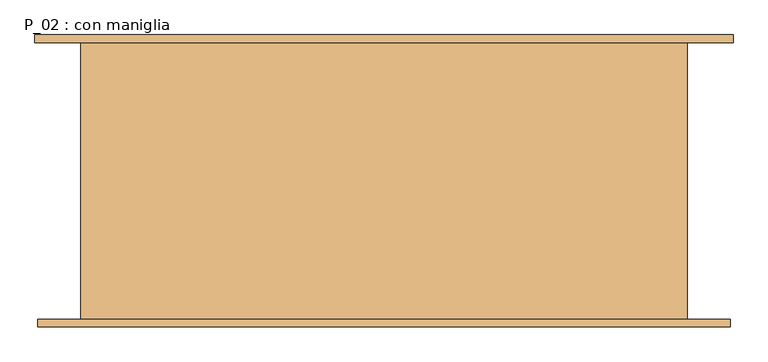
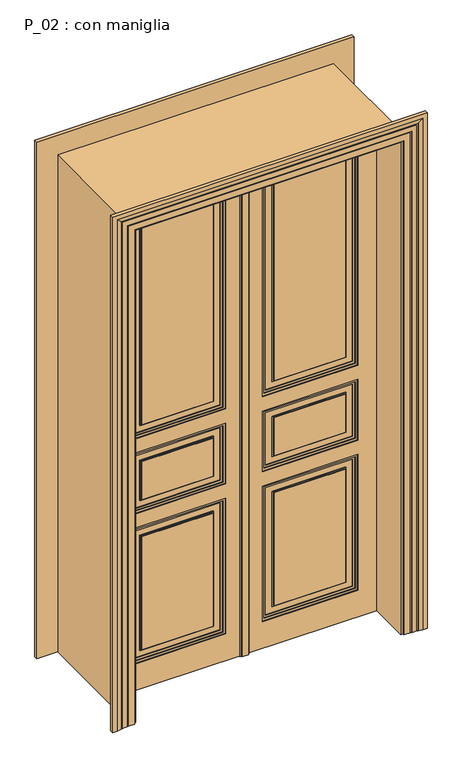
"""IFC4 building model written with IfcOpenShell, lengths in millimetres: door geometry, P_02 : con maniglia."""

from ifc_helpers import new_model, si_unit, frame, origin, origin_with_axes, place, context, project, spatial, polyline, outline, extrude, faceted_brep, source, transform, mapped, element, save


def p_02_con_maniglia_0d75dc04(model_context):
    return source(origin(), model_context, "Body", "SolidModel", [
        extrude(outline(polyline([(0.0, -610.0), (2395.0, -610.0), (2395.0, -2.5), (2400.0, -2.5), (2400.0, -615.0), (0.0, -615.0), (0.0, -610.0)])), frame((0.0, -90.0, 0.0), z_axis=(0.0, 1.0, 0.0), x_axis=(0.0, 0.0, 1.0)), (0.0, 0.0, 1.0), 5.0),
        extrude(outline(polyline([(0.0, 615.0), (2400.0, 615.0), (2400.0, 2.5), (2395.0, 2.5), (2395.0, 610.0), (0.0, 610.0), (0.0, 615.0)])), frame((0.0, -90.0, 0.0), z_axis=(0.0, 1.0, 0.0), x_axis=(0.0, 0.0, 1.0)), (0.0, 0.0, 1.0), 5.0),
        extrude(outline(polyline([(2.5, -97.0), (2.5, -90.0), (20.0, -90.0), (20.0, -97.0), (2.5, -97.0)])), frame((0.0, 0.0, 2395.0), z_axis=(0.0, 0.0, 1.0), x_axis=(1.0, 0.0, 0.0)), (0.0, 0.0, 1.0), 5.0),
        extrude(outline(polyline([(-2.5, -97.0), (-20.0, -97.0), (-20.0, -90.0), (-2.5, -90.0), (-2.5, -97.0)])), frame((0.0, 0.0, 2395.0), z_axis=(0.0, 0.0, 1.0), x_axis=(1.0, 0.0, 0.0)), (0.0, 0.0, 1.0), 5.0),
        extrude(outline(polyline([(2.5, -97.0), (2.5, -90.0), (20.0, -90.0), (20.0, -97.0), (2.5, -97.0)])), frame((0.0, 0.0, 2395.0), z_axis=(0.0, 0.0, 1.0), x_axis=(1.0, 0.0, 0.0)), (0.0, 0.0, 1.0), 5.0),
        extrude(outline(polyline([(-2.5, -97.0), (-20.0, -97.0), (-20.0, -90.0), (-2.5, -90.0), (-2.5, -97.0)])), frame((0.0, 0.0, 2395.0), z_axis=(0.0, 0.0, 1.0), x_axis=(1.0, 0.0, 0.0)), (0.0, 0.0, 1.0), 5.0),
        extrude(outline(polyline([(15.0, -97.0), (15.0, -107.0), (-15.0, -107.0), (-15.0, -97.0), (15.0, -97.0)])), origin_with_axes(), (0.0, 0.0, 1.0), 2400.0),
        extrude(outline(polyline([(20.0, -97.0), (20.0, -102.0), (15.0, -102.0), (15.0, -97.0), (20.0, -97.0)])), origin_with_axes(), (0.0, 0.0, 1.0), 2400.0),
        extrude(outline(polyline([(-15.0, -97.0), (-15.0, -102.0), (-20.0, -102.0), (-20.0, -97.0), (-15.0, -97.0)])), origin_with_axes(), (0.0, 0.0, 1.0), 2400.0),
        extrude(outline(polyline([(-470.0, -75.0), (-470.0, -67.0), (-140.0, -67.0), (-140.0, -75.0), (-470.0, -75.0)])), frame((0.0, 0.0, 185.0), z_axis=(0.0, 0.0, 1.0), x_axis=(1.0, 0.0, 0.0)), (0.0, 0.0, 1.0), 550.0),
        extrude(outline(polyline([(-470.0, -75.0), (-470.0, -67.0), (-140.0, -67.0), (-140.0, -75.0), (-470.0, -75.0)])), frame((0.0, 0.0, 915.0), z_axis=(0.0, 0.0, 1.0), x_axis=(1.0, 0.0, 0.0)), (0.0, 0.0, 1.0), 185.0),
        extrude(outline(polyline([(-470.0, -75.0), (-470.0, -67.0), (-140.0, -67.0), (-140.0, -75.0), (-470.0, -75.0)])), frame((0.0, 0.0, 1280.0), z_axis=(0.0, 0.0, 1.0), x_axis=(1.0, 0.0, 0.0)), (0.0, 0.0, 1.0), 975.0),
        extrude(outline(polyline([(2300.0, -95.0), (2300.0, -515.0), (1235.0, -515.0), (1235.0, -95.0), (2300.0, -95.0)]), holes=[polyline([(2290.0, -105.0), (1245.0, -105.0), (1245.0, -505.0), (2290.0, -505.0), (2290.0, -105.0)])]), frame((0.0, -75.0, 0.0), z_axis=(0.0, 1.0, 0.0), x_axis=(0.0, 0.0, 1.0)), (0.0, 0.0, 1.0), 4.0),
        extrude(outline(polyline([(780.0, -95.0), (780.0, -515.0), (140.0, -515.0), (140.0, -95.0), (780.0, -95.0)]), holes=[polyline([(770.0, -105.0), (150.0, -105.0), (150.0, -505.0), (770.0, -505.0), (770.0, -105.0)])]), frame((0.0, -75.0, 0.0), z_axis=(0.0, 1.0, 0.0), x_axis=(0.0, 0.0, 1.0)), (0.0, 0.0, 1.0), 4.0),
        extrude(outline(polyline([(740.0, -135.0), (740.0, -475.0), (180.0, -475.0), (180.0, -135.0), (740.0, -135.0)]), holes=[polyline([(735.0, -140.0), (185.0, -140.0), (185.0, -470.0), (735.0, -470.0), (735.0, -140.0)])]), frame((0.0, -75.0, 0.0), z_axis=(0.0, 1.0, 0.0), x_axis=(0.0, 0.0, 1.0)), (0.0, 0.0, 1.0), 4.0),
        extrude(outline(polyline([(1145.0, -95.0), (1145.0, -515.0), (870.0, -515.0), (870.0, -95.0), (1145.0, -95.0)]), holes=[polyline([(1135.0, -105.0), (880.0, -105.0), (880.0, -505.0), (1135.0, -505.0), (1135.0, -105.0)])]), frame((0.0, -75.0, 0.0), z_axis=(0.0, 1.0, 0.0), x_axis=(0.0, 0.0, 1.0)), (0.0, 0.0, 1.0), 4.0),
        extrude(outline(polyline([(1105.0, -135.0), (1105.0, -475.0), (910.0, -475.0), (910.0, -135.0), (1105.0, -135.0)]), holes=[polyline([(1100.0, -140.0), (915.0, -140.0), (915.0, -470.0), (1100.0, -470.0), (1100.0, -140.0)])]), frame((0.0, -75.0, 0.0), z_axis=(0.0, 1.0, 0.0), x_axis=(0.0, 0.0, 1.0)), (0.0, 0.0, 1.0), 4.0),
        extrude(outline(polyline([(2260.0, -135.0), (2260.0, -475.0), (1275.0, -475.0), (1275.0, -135.0), (2260.0, -135.0)]), holes=[polyline([(2255.0, -140.0), (1280.0, -140.0), (1280.0, -470.0), (2255.0, -470.0), (2255.0, -140.0)])]), frame((0.0, -75.0, 0.0), z_axis=(0.0, 1.0, 0.0), x_axis=(0.0, 0.0, 1.0)), (0.0, 0.0, 1.0), 4.0),
        extrude(outline(polyline([(1225.0, -85.0), (2310.0, -85.0), (2310.0, -525.0), (1225.0, -525.0), (1225.0, -85.0)]), holes=[polyline([(2300.0, -95.0), (1235.0, -95.0), (1235.0, -515.0), (2300.0, -515.0), (2300.0, -95.0)])]), frame((0.0, -75.0, 0.0), z_axis=(0.0, 1.0, 0.0), x_axis=(0.0, 0.0, 1.0)), (0.0, 0.0, 1.0), 8.0),
        extrude(outline(polyline([(130.0, -525.0), (130.0, -85.0), (790.0, -85.0), (790.0, -525.0), (130.0, -525.0)]), holes=[polyline([(780.0, -95.0), (140.0, -95.0), (140.0, -515.0), (780.0, -515.0), (780.0, -95.0)])]), frame((0.0, -75.0, 0.0), z_axis=(0.0, 1.0, 0.0), x_axis=(0.0, 0.0, 1.0)), (0.0, 0.0, 1.0), 8.0),
        extrude(outline(polyline([(1155.0, -85.0), (1155.0, -525.0), (860.0, -525.0), (860.0, -85.0), (1155.0, -85.0)]), holes=[polyline([(870.0, -95.0), (870.0, -515.0), (1145.0, -515.0), (1145.0, -95.0), (870.0, -95.0)])]), frame((0.0, -75.0, 0.0), z_axis=(0.0, 1.0, 0.0), x_axis=(0.0, 0.0, 1.0)), (0.0, 0.0, 1.0), 8.0),
        extrude(outline(polyline([(0.0, -610.0), (0.0, -2.5), (2395.0, -2.5), (2395.0, -610.0), (0.0, -610.0)]), holes=[polyline([(1225.0, -85.0), (1225.0, -525.0), (2310.0, -525.0), (2310.0, -85.0), (1225.0, -85.0)]), polyline([(130.0, -85.0), (130.0, -525.0), (790.0, -525.0), (790.0, -85.0), (130.0, -85.0)]), polyline([(1155.0, -525.0), (1155.0, -85.0), (860.0, -85.0), (860.0, -525.0), (1155.0, -525.0)])]), frame((0.0, -75.0, 0.0), z_axis=(0.0, 1.0, 0.0), x_axis=(0.0, 0.0, 1.0)), (0.0, 0.0, 1.0), 12.0),
        extrude(outline(polyline([(140.0, -75.0), (140.0, -67.0), (470.0, -67.0), (470.0, -75.0), (140.0, -75.0)])), frame((0.0, 0.0, 185.0), z_axis=(0.0, 0.0, 1.0), x_axis=(1.0, 0.0, 0.0)), (0.0, 0.0, 1.0), 550.0),
        extrude(outline(polyline([(140.0, -75.0), (140.0, -67.0), (470.0, -67.0), (470.0, -75.0), (140.0, -75.0)])), frame((0.0, 0.0, 915.0), z_axis=(0.0, 0.0, 1.0), x_axis=(1.0, 0.0, 0.0)), (0.0, 0.0, 1.0), 185.0),
        extrude(outline(polyline([(140.0, -75.0), (140.0, -67.0), (470.0, -67.0), (470.0, -75.0), (140.0, -75.0)])), frame((0.0, 0.0, 1280.0), z_axis=(0.0, 0.0, 1.0), x_axis=(1.0, 0.0, 0.0)), (0.0, 0.0, 1.0), 975.0),
        extrude(outline(polyline([(2300.0, 95.0), (1235.0, 95.0), (1235.0, 515.0), (2300.0, 515.0), (2300.0, 95.0)]), holes=[polyline([(2290.0, 105.0), (2290.0, 505.0), (1245.0, 505.0), (1245.0, 105.0), (2290.0, 105.0)])]), frame((0.0, -75.0, 0.0), z_axis=(0.0, 1.0, 0.0), x_axis=(0.0, 0.0, 1.0)), (0.0, 0.0, 1.0), 4.0),
        extrude(outline(polyline([(780.0, 95.0), (140.0, 95.0), (140.0, 515.0), (780.0, 515.0), (780.0, 95.0)]), holes=[polyline([(770.0, 105.0), (770.0, 505.0), (150.0, 505.0), (150.0, 105.0), (770.0, 105.0)])]), frame((0.0, -75.0, 0.0), z_axis=(0.0, 1.0, 0.0), x_axis=(0.0, 0.0, 1.0)), (0.0, 0.0, 1.0), 4.0),
        extrude(outline(polyline([(740.0, 135.0), (180.0, 135.0), (180.0, 475.0), (740.0, 475.0), (740.0, 135.0)]), holes=[polyline([(735.0, 140.0), (735.0, 470.0), (185.0, 470.0), (185.0, 140.0), (735.0, 140.0)])]), frame((0.0, -75.0, 0.0), z_axis=(0.0, 1.0, 0.0), x_axis=(0.0, 0.0, 1.0)), (0.0, 0.0, 1.0), 4.0),
        extrude(outline(polyline([(1145.0, 95.0), (870.0, 95.0), (870.0, 515.0), (1145.0, 515.0), (1145.0, 95.0)]), holes=[polyline([(1135.0, 105.0), (1135.0, 505.0), (880.0, 505.0), (880.0, 105.0), (1135.0, 105.0)])]), frame((0.0, -75.0, 0.0), z_axis=(0.0, 1.0, 0.0), x_axis=(0.0, 0.0, 1.0)), (0.0, 0.0, 1.0), 4.0),
        extrude(outline(polyline([(1105.0, 135.0), (910.0, 135.0), (910.0, 475.0), (1105.0, 475.0), (1105.0, 135.0)]), holes=[polyline([(1100.0, 140.0), (1100.0, 470.0), (915.0, 470.0), (915.0, 140.0), (1100.0, 140.0)])]), frame((0.0, -75.0, 0.0), z_axis=(0.0, 1.0, 0.0), x_axis=(0.0, 0.0, 1.0)), (0.0, 0.0, 1.0), 4.0),
        extrude(outline(polyline([(2260.0, 135.0), (1275.0, 135.0), (1275.0, 475.0), (2260.0, 475.0), (2260.0, 135.0)]), holes=[polyline([(2255.0, 140.0), (2255.0, 470.0), (1280.0, 470.0), (1280.0, 140.0), (2255.0, 140.0)])]), frame((0.0, -75.0, 0.0), z_axis=(0.0, 1.0, 0.0), x_axis=(0.0, 0.0, 1.0)), (0.0, 0.0, 1.0), 4.0),
        extrude(outline(polyline([(1225.0, 85.0), (1225.0, 525.0), (2310.0, 525.0), (2310.0, 85.0), (1225.0, 85.0)]), holes=[polyline([(2300.0, 95.0), (2300.0, 515.0), (1235.0, 515.0), (1235.0, 95.0), (2300.0, 95.0)])]), frame((0.0, -75.0, 0.0), z_axis=(0.0, 1.0, 0.0), x_axis=(0.0, 0.0, 1.0)), (0.0, 0.0, 1.0), 8.0),
        extrude(outline(polyline([(130.0, 525.0), (790.0, 525.0), (790.0, 85.0), (130.0, 85.0), (130.0, 525.0)]), holes=[polyline([(780.0, 95.0), (780.0, 515.0), (140.0, 515.0), (140.0, 95.0), (780.0, 95.0)])]), frame((0.0, -75.0, 0.0), z_axis=(0.0, 1.0, 0.0), x_axis=(0.0, 0.0, 1.0)), (0.0, 0.0, 1.0), 8.0),
        extrude(outline(polyline([(1155.0, 85.0), (860.0, 85.0), (860.0, 525.0), (1155.0, 525.0), (1155.0, 85.0)]), holes=[polyline([(870.0, 95.0), (1145.0, 95.0), (1145.0, 515.0), (870.0, 515.0), (870.0, 95.0)])]), frame((0.0, -75.0, 0.0), z_axis=(0.0, 1.0, 0.0), x_axis=(0.0, 0.0, 1.0)), (0.0, 0.0, 1.0), 8.0),
        extrude(outline(polyline([(0.0, 610.0), (2395.0, 610.0), (2395.0, 2.5), (0.0, 2.5), (0.0, 610.0)]), holes=[polyline([(1225.0, 85.0), (2310.0, 85.0), (2310.0, 525.0), (1225.0, 525.0), (1225.0, 85.0)]), polyline([(130.0, 85.0), (790.0, 85.0), (790.0, 525.0), (130.0, 525.0), (130.0, 85.0)]), polyline([(1155.0, 525.0), (860.0, 525.0), (860.0, 85.0), (1155.0, 85.0), (1155.0, 525.0)])]), frame((0.0, -75.0, 0.0), z_axis=(0.0, 1.0, 0.0), x_axis=(0.0, 0.0, 1.0)), (0.0, 0.0, 1.0), 12.0),
        extrude(outline(polyline([(-140.0, -85.0), (-140.0, -93.0), (-470.0, -93.0), (-470.0, -85.0), (-140.0, -85.0)])), frame((0.0, 0.0, 185.0), z_axis=(0.0, 0.0, 1.0), x_axis=(1.0, 0.0, 0.0)), (0.0, 0.0, 1.0), 550.0),
        extrude(outline(polyline([(-140.0, -85.0), (-140.0, -93.0), (-470.0, -93.0), (-470.0, -85.0), (-140.0, -85.0)])), frame((0.0, 0.0, 915.0), z_axis=(0.0, 0.0, 1.0), x_axis=(1.0, 0.0, 0.0)), (0.0, 0.0, 1.0), 185.0),
        extrude(outline(polyline([(-140.0, -85.0), (-140.0, -93.0), (-470.0, -93.0), (-470.0, -85.0), (-140.0, -85.0)])), frame((0.0, 0.0, 1280.0), z_axis=(0.0, 0.0, 1.0), x_axis=(1.0, 0.0, 0.0)), (0.0, 0.0, 1.0), 975.0),
        extrude(outline(polyline([(2300.0, -95.0), (2300.0, -515.0), (1235.0, -515.0), (1235.0, -95.0), (2300.0, -95.0)]), holes=[polyline([(2290.0, -105.0), (1245.0, -105.0), (1245.0, -505.0), (2290.0, -505.0), (2290.0, -105.0)])]), frame((0.0, -89.0, 0.0), z_axis=(0.0, 1.0, 0.0), x_axis=(0.0, 0.0, 1.0)), (0.0, 0.0, 1.0), 4.0),
        extrude(outline(polyline([(780.0, -95.0), (780.0, -515.0), (140.0, -515.0), (140.0, -95.0), (780.0, -95.0)]), holes=[polyline([(770.0, -105.0), (150.0, -105.0), (150.0, -505.0), (770.0, -505.0), (770.0, -105.0)])]), frame((0.0, -89.0, 0.0), z_axis=(0.0, 1.0, 0.0), x_axis=(0.0, 0.0, 1.0)), (0.0, 0.0, 1.0), 4.0),
        extrude(outline(polyline([(740.0, -135.0), (740.0, -475.0), (180.0, -475.0), (180.0, -135.0), (740.0, -135.0)]), holes=[polyline([(735.0, -140.0), (185.0, -140.0), (185.0, -470.0), (735.0, -470.0), (735.0, -140.0)])]), frame((0.0, -89.0, 0.0), z_axis=(0.0, 1.0, 0.0), x_axis=(0.0, 0.0, 1.0)), (0.0, 0.0, 1.0), 4.0),
        extrude(outline(polyline([(1145.0, -95.0), (1145.0, -515.0), (870.0, -515.0), (870.0, -95.0), (1145.0, -95.0)]), holes=[polyline([(1135.0, -105.0), (880.0, -105.0), (880.0, -505.0), (1135.0, -505.0), (1135.0, -105.0)])]), frame((0.0, -89.0, 0.0), z_axis=(0.0, 1.0, 0.0), x_axis=(0.0, 0.0, 1.0)), (0.0, 0.0, 1.0), 4.0),
        extrude(outline(polyline([(1105.0, -135.0), (1105.0, -475.0), (910.0, -475.0), (910.0, -135.0), (1105.0, -135.0)]), holes=[polyline([(1100.0, -140.0), (915.0, -140.0), (915.0, -470.0), (1100.0, -470.0), (1100.0, -140.0)])]), frame((0.0, -89.0, 0.0), z_axis=(0.0, 1.0, 0.0), x_axis=(0.0, 0.0, 1.0)), (0.0, 0.0, 1.0), 4.0),
        extrude(outline(polyline([(2260.0, -135.0), (2260.0, -475.0), (1275.0, -475.0), (1275.0, -135.0), (2260.0, -135.0)]), holes=[polyline([(2255.0, -140.0), (1280.0, -140.0), (1280.0, -470.0), (2255.0, -470.0), (2255.0, -140.0)])]), frame((0.0, -89.0, 0.0), z_axis=(0.0, 1.0, 0.0), x_axis=(0.0, 0.0, 1.0)), (0.0, 0.0, 1.0), 4.0),
        extrude(outline(polyline([(1225.0, -85.0), (2310.0, -85.0), (2310.0, -525.0), (1225.0, -525.0), (1225.0, -85.0)]), holes=[polyline([(2300.0, -95.0), (1235.0, -95.0), (1235.0, -515.0), (2300.0, -515.0), (2300.0, -95.0)])]), frame((0.0, -93.0, 0.0), z_axis=(0.0, 1.0, 0.0), x_axis=(0.0, 0.0, 1.0)), (0.0, 0.0, 1.0), 8.0),
        extrude(outline(polyline([(130.0, -525.0), (130.0, -85.0), (790.0, -85.0), (790.0, -525.0), (130.0, -525.0)]), holes=[polyline([(780.0, -95.0), (140.0, -95.0), (140.0, -515.0), (780.0, -515.0), (780.0, -95.0)])]), frame((0.0, -93.0, 0.0), z_axis=(0.0, 1.0, 0.0), x_axis=(0.0, 0.0, 1.0)), (0.0, 0.0, 1.0), 8.0),
        extrude(outline(polyline([(1155.0, -85.0), (1155.0, -525.0), (860.0, -525.0), (860.0, -85.0), (1155.0, -85.0)]), holes=[polyline([(870.0, -95.0), (870.0, -515.0), (1145.0, -515.0), (1145.0, -95.0), (870.0, -95.0)])]), frame((0.0, -93.0, 0.0), z_axis=(0.0, 1.0, 0.0), x_axis=(0.0, 0.0, 1.0)), (0.0, 0.0, 1.0), 8.0),
        extrude(outline(polyline([(0.0, -610.0), (0.0, -2.5), (2395.0, -2.5), (2395.0, -610.0), (0.0, -610.0)]), holes=[polyline([(1225.0, -85.0), (1225.0, -525.0), (2310.0, -525.0), (2310.0, -85.0), (1225.0, -85.0)]), polyline([(130.0, -85.0), (130.0, -525.0), (790.0, -525.0), (790.0, -85.0), (130.0, -85.0)]), polyline([(1155.0, -525.0), (1155.0, -85.0), (860.0, -85.0), (860.0, -525.0), (1155.0, -525.0)])]), frame((0.0, -97.0, 0.0), z_axis=(0.0, 1.0, 0.0), x_axis=(0.0, 0.0, 1.0)), (0.0, 0.0, 1.0), 12.0),
        extrude(outline(polyline([(0.0, -610.0), (2395.0, -610.0), (2395.0, -2.5), (2400.0, -2.5), (2400.0, -615.0), (0.0, -615.0), (0.0, -610.0)])), frame((0.0, -90.0, 0.0), z_axis=(0.0, 1.0, 0.0), x_axis=(0.0, 0.0, 1.0)), (0.0, 0.0, 1.0), 5.0),
        extrude(outline(polyline([(-2.5, -75.0), (-2.5, -85.0), (-615.0, -85.0), (-615.0, -75.0), (-2.5, -75.0)])), origin_with_axes(), (0.0, 0.0, 1.0), 2400.0),
        extrude(outline(polyline([(615.0, -75.0), (615.0, -85.0), (2.5, -85.0), (2.5, -75.0), (615.0, -75.0)])), origin_with_axes(), (0.0, 0.0, 1.0), 2400.0),
        extrude(outline(polyline([(470.0, -85.0), (470.0, -93.0), (140.0, -93.0), (140.0, -85.0), (470.0, -85.0)])), frame((0.0, 0.0, 185.0), z_axis=(0.0, 0.0, 1.0), x_axis=(1.0, 0.0, 0.0)), (0.0, 0.0, 1.0), 550.0),
        extrude(outline(polyline([(470.0, -85.0), (470.0, -93.0), (140.0, -93.0), (140.0, -85.0), (470.0, -85.0)])), frame((0.0, 0.0, 915.0), z_axis=(0.0, 0.0, 1.0), x_axis=(1.0, 0.0, 0.0)), (0.0, 0.0, 1.0), 185.0),
        extrude(outline(polyline([(470.0, -85.0), (470.0, -93.0), (140.0, -93.0), (140.0, -85.0), (470.0, -85.0)])), frame((0.0, 0.0, 1280.0), z_axis=(0.0, 0.0, 1.0), x_axis=(1.0, 0.0, 0.0)), (0.0, 0.0, 1.0), 975.0),
        extrude(outline(polyline([(2300.0, 95.0), (1235.0, 95.0), (1235.0, 515.0), (2300.0, 515.0), (2300.0, 95.0)]), holes=[polyline([(2290.0, 105.0), (2290.0, 505.0), (1245.0, 505.0), (1245.0, 105.0), (2290.0, 105.0)])]), frame((0.0, -89.0, 0.0), z_axis=(0.0, 1.0, 0.0), x_axis=(0.0, 0.0, 1.0)), (0.0, 0.0, 1.0), 4.0),
        extrude(outline(polyline([(780.0, 95.0), (140.0, 95.0), (140.0, 515.0), (780.0, 515.0), (780.0, 95.0)]), holes=[polyline([(770.0, 105.0), (770.0, 505.0), (150.0, 505.0), (150.0, 105.0), (770.0, 105.0)])]), frame((0.0, -89.0, 0.0), z_axis=(0.0, 1.0, 0.0), x_axis=(0.0, 0.0, 1.0)), (0.0, 0.0, 1.0), 4.0),
        extrude(outline(polyline([(740.0, 135.0), (180.0, 135.0), (180.0, 475.0), (740.0, 475.0), (740.0, 135.0)]), holes=[polyline([(735.0, 140.0), (735.0, 470.0), (185.0, 470.0), (185.0, 140.0), (735.0, 140.0)])]), frame((0.0, -89.0, 0.0), z_axis=(0.0, 1.0, 0.0), x_axis=(0.0, 0.0, 1.0)), (0.0, 0.0, 1.0), 4.0),
        extrude(outline(polyline([(1145.0, 95.0), (870.0, 95.0), (870.0, 515.0), (1145.0, 515.0), (1145.0, 95.0)]), holes=[polyline([(1135.0, 105.0), (1135.0, 505.0), (880.0, 505.0), (880.0, 105.0), (1135.0, 105.0)])]), frame((0.0, -89.0, 0.0), z_axis=(0.0, 1.0, 0.0), x_axis=(0.0, 0.0, 1.0)), (0.0, 0.0, 1.0), 4.0),
        extrude(outline(polyline([(1105.0, 135.0), (910.0, 135.0), (910.0, 475.0), (1105.0, 475.0), (1105.0, 135.0)]), holes=[polyline([(1100.0, 140.0), (1100.0, 470.0), (915.0, 470.0), (915.0, 140.0), (1100.0, 140.0)])]), frame((0.0, -89.0, 0.0), z_axis=(0.0, 1.0, 0.0), x_axis=(0.0, 0.0, 1.0)), (0.0, 0.0, 1.0), 4.0),
        extrude(outline(polyline([(2260.0, 135.0), (1275.0, 135.0), (1275.0, 475.0), (2260.0, 475.0), (2260.0, 135.0)]), holes=[polyline([(2255.0, 140.0), (2255.0, 470.0), (1280.0, 470.0), (1280.0, 140.0), (2255.0, 140.0)])]), frame((0.0, -89.0, 0.0), z_axis=(0.0, 1.0, 0.0), x_axis=(0.0, 0.0, 1.0)), (0.0, 0.0, 1.0), 4.0),
        extrude(outline(polyline([(1225.0, 85.0), (1225.0, 525.0), (2310.0, 525.0), (2310.0, 85.0), (1225.0, 85.0)]), holes=[polyline([(2300.0, 95.0), (2300.0, 515.0), (1235.0, 515.0), (1235.0, 95.0), (2300.0, 95.0)])]), frame((0.0, -93.0, 0.0), z_axis=(0.0, 1.0, 0.0), x_axis=(0.0, 0.0, 1.0)), (0.0, 0.0, 1.0), 8.0),
        extrude(outline(polyline([(130.0, 525.0), (790.0, 525.0), (790.0, 85.0), (130.0, 85.0), (130.0, 525.0)]), holes=[polyline([(780.0, 95.0), (780.0, 515.0), (140.0, 515.0), (140.0, 95.0), (780.0, 95.0)])]), frame((0.0, -93.0, 0.0), z_axis=(0.0, 1.0, 0.0), x_axis=(0.0, 0.0, 1.0)), (0.0, 0.0, 1.0), 8.0),
        extrude(outline(polyline([(1155.0, 85.0), (860.0, 85.0), (860.0, 525.0), (1155.0, 525.0), (1155.0, 85.0)]), holes=[polyline([(870.0, 95.0), (1145.0, 95.0), (1145.0, 515.0), (870.0, 515.0), (870.0, 95.0)])]), frame((0.0, -93.0, 0.0), z_axis=(0.0, 1.0, 0.0), x_axis=(0.0, 0.0, 1.0)), (0.0, 0.0, 1.0), 8.0),
        extrude(outline(polyline([(0.0, 610.0), (2395.0, 610.0), (2395.0, 2.5), (0.0, 2.5), (0.0, 610.0)]), holes=[polyline([(1225.0, 85.0), (2310.0, 85.0), (2310.0, 525.0), (1225.0, 525.0), (1225.0, 85.0)]), polyline([(130.0, 85.0), (790.0, 85.0), (790.0, 525.0), (130.0, 525.0), (130.0, 85.0)]), polyline([(1155.0, 525.0), (860.0, 525.0), (860.0, 85.0), (1155.0, 85.0), (1155.0, 525.0)])]), frame((0.0, -97.0, 0.0), z_axis=(0.0, 1.0, 0.0), x_axis=(0.0, 0.0, 1.0)), (0.0, 0.0, 1.0), 12.0),
        extrude(outline(polyline([(0.0, 615.0), (2400.0, 615.0), (2400.0, 2.5), (2395.0, 2.5), (2395.0, 610.0), (0.0, 610.0), (0.0, 615.0)])), frame((0.0, -90.0, 0.0), z_axis=(0.0, 1.0, 0.0), x_axis=(0.0, 0.0, 1.0)), (0.0, 0.0, 1.0), 5.0),
        faceted_brep([(725.0, -290.0, 0.0), (725.0, -306.0, 0.0), (705.0, -306.0, 0.0), (685.0, -302.0291126, 0.0), (685.0, -301.0291126, 0.0), (680.0, -301.0291126, 0.0), (680.0, -300.0291126, 0.0), (656.0, -300.0291126, 0.0), (656.0, -299.0291126, 0.0), (651.0, -299.0291126, 0.0), (651.0, -298.0291126, 0.0), (621.0, -298.0291126, 0.0), (621.0, -290.0, 0.0), (611.0, -290.0, 0.0), (611.0, 290.0, 0.0), (621.0, 290.0, 0.0), (621.0, 298.0291126, 0.0), (651.0, 298.0291126, 0.0), (651.0, 299.0291126, 0.0), (656.0, 299.0291126, 0.0), (656.0, 300.0291126, 0.0), (686.0, 300.0291126, 0.0), (686.0, 301.0291126, 0.0), (691.0, 301.0291126, 0.0), (691.0, 302.0291126, 0.0), (711.0, 306.0, 0.0), (731.0, 306.0, 0.0), (731.0, 290.0, 0.0), (635.0, 290.0, 0.0), (635.0, -290.0, 0.0), (635.0, -290.0, 2420.0), (-635.0, -290.0, 2420.0), (-635.0, -290.0, 0.0), (-725.0, -290.0, 0.0), (-725.0, -290.0, 2510.0), (725.0, -290.0, 2510.0), (635.0, 290.0, 2420.0), (731.0, 290.0, 2516.0), (-731.0, 290.0, 2516.0), (-731.0, 290.0, 0.0), (-635.0, 290.0, 0.0), (-635.0, 290.0, 2420.0), (731.0, 306.0, 2516.0), (711.0, 306.0, 2496.0), (-711.0, 306.0, 2496.0), (-711.0, 306.0, 0.0), (-731.0, 306.0, 0.0), (-731.0, 306.0, 2516.0), (691.0, 302.0291126, 2476.0), (691.0, 301.0291126, 2476.0), (686.0, 301.0291126, 2471.0), (-686.0, 301.0291126, 2471.0), (-686.0, 301.0291126, 0.0), (-691.0, 301.0291126, 0.0), (-691.0, 301.0291126, 2476.0), (686.0, 300.0291126, 2471.0), (656.0, 300.0291126, 2441.0), (-656.0, 300.0291126, 2441.0), (-656.0, 300.0291126, 0.0), (-686.0, 300.0291126, 0.0), (-686.0, 300.0291126, 2471.0), (656.0, 299.0291126, 2441.0), (651.0, 299.0291126, 2436.0), (-651.0, 299.0291126, 2436.0), (-651.0, 299.0291126, 0.0), (-656.0, 299.0291126, 0.0), (-656.0, 299.0291126, 2441.0), (651.0, 298.0291126, 2436.0), (621.0, 298.0291126, 2406.0), (-621.0, 298.0291126, 2406.0), (-621.0, 298.0291126, 0.0), (-651.0, 298.0291126, 0.0), (-651.0, 298.0291126, 2436.0), (621.0, 290.0, 2406.0), (611.0, 290.0, 2396.0), (-611.0, 290.0, 2396.0), (-611.0, 290.0, 0.0), (-621.0, 290.0, 0.0), (-621.0, 290.0, 2406.0), (611.0, -290.0, 2396.0), (621.0, -290.0, 2406.0), (-621.0, -290.0, 2406.0), (-621.0, -290.0, 0.0), (-611.0, -290.0, 0.0), (-611.0, -290.0, 2396.0), (621.0, -298.0291126, 2406.0), (651.0, -298.0291126, 2436.0), (-651.0, -298.0291126, 2436.0), (-651.0, -298.0291126, 0.0), (-621.0, -298.0291126, 0.0), (-621.0, -298.0291126, 2406.0), (651.0, -299.0291126, 2436.0), (656.0, -299.0291126, 2441.0), (-656.0, -299.0291126, 2441.0), (-656.0, -299.0291126, 0.0), (-651.0, -299.0291126, 0.0), (-651.0, -299.0291126, 2436.0), (656.0, -300.0291126, 2441.0), (680.0, -300.0291126, 2465.0), (-680.0, -300.0291126, 2465.0), (-680.0, -300.0291126, 0.0), (-656.0, -300.0291126, 0.0), (-656.0, -300.0291126, 2441.0), (680.0, -301.0291126, 2465.0), (685.0, -301.0291126, 2470.0), (-685.0, -301.0291126, 2470.0), (-685.0, -301.0291126, 0.0), (-680.0, -301.0291126, 0.0), (-680.0, -301.0291126, 2465.0), (685.0, -302.0291126, 2470.0), (705.0, -306.0, 2490.0), (725.0, -306.0, 2510.0), (-725.0, -306.0, 2510.0), (-725.0, -306.0, 0.0), (-705.0, -306.0, 0.0), (-705.0, -306.0, 2490.0), (-691.0, 302.0291126, 0.0), (-685.0, -302.0291126, 0.0), (-685.0, -302.0291126, 2470.0), (-691.0, 302.0291126, 2476.0)], [[[0, 1, 2, 3, 4, 5, 6, 7, 8, 9, 10, 11, 12, 13, 14, 15, 16, 17, 18, 19, 20, 21, 22, 23, 24, 25, 26, 27, 28, 29]], [[29, 30, 31, 32, 33, 34, 35, 0]], [[28, 36, 30, 29]], [[27, 37, 38, 39, 40, 41, 36, 28]], [[26, 42, 37, 27]], [[25, 43, 44, 45, 46, 47, 42, 26]], [[24, 48, 43, 25]], [[23, 49, 48, 24]], [[22, 50, 51, 52, 53, 54, 49, 23]], [[21, 55, 50, 22]], [[20, 56, 57, 58, 59, 60, 55, 21]], [[19, 61, 56, 20]], [[18, 62, 63, 64, 65, 66, 61, 19]], [[17, 67, 62, 18]], [[16, 68, 69, 70, 71, 72, 67, 17]], [[15, 73, 68, 16]], [[14, 74, 75, 76, 77, 78, 73, 15]], [[13, 79, 74, 14]], [[12, 80, 81, 82, 83, 84, 79, 13]], [[11, 85, 80, 12]], [[10, 86, 87, 88, 89, 90, 85, 11]], [[9, 91, 86, 10]], [[8, 92, 93, 94, 95, 96, 91, 9]], [[7, 97, 92, 8]], [[6, 98, 99, 100, 101, 102, 97, 7]], [[5, 103, 98, 6]], [[4, 104, 105, 106, 107, 108, 103, 5]], [[3, 109, 104, 4]], [[2, 110, 109, 3]], [[1, 111, 112, 113, 114, 115, 110, 2]], [[0, 35, 111, 1]], [[34, 33, 113, 112]], [[33, 32, 40, 39, 46, 45, 116, 53, 52, 59, 58, 65, 64, 71, 70, 77, 76, 83, 82, 89, 88, 95, 94, 101, 100, 107, 106, 117, 114, 113]], [[41, 40, 32, 31]], [[78, 77, 70, 69]], [[84, 83, 76, 75]], [[90, 89, 82, 81]], [[115, 114, 117, 118]], [[118, 117, 106, 105]], [[108, 107, 100, 99]], [[102, 101, 94, 93]], [[96, 95, 88, 87]], [[72, 71, 64, 63]], [[66, 65, 58, 57]], [[60, 59, 52, 51]], [[54, 53, 116, 119]], [[119, 116, 45, 44]], [[47, 46, 39, 38]], [[35, 34, 112, 111]], [[36, 41, 31, 30]], [[73, 78, 69, 68]], [[79, 84, 75, 74]], [[85, 90, 81, 80]], [[91, 96, 87, 86]], [[97, 102, 93, 92]], [[103, 108, 99, 98]], [[109, 118, 105, 104]], [[110, 115, 118, 109]], [[42, 47, 38, 37]], [[48, 119, 44, 43]], [[49, 54, 119, 48]], [[55, 60, 51, 50]], [[61, 66, 57, 56]], [[67, 72, 63, 62]]]),
    ])


if __name__ == "__main__":
    model = new_model("IFC4")
    model_context = context("Model", 3, world=origin())
    ifc_project = project(units=[si_unit("LENGTHUNIT", "METRE", prefix="MILLI")], contexts=[model_context])
    site = spatial("IfcSite", under=ifc_project)
    building = spatial("IfcBuilding", under=site)
    placement = place(None, origin())
    p_02_con_maniglia_shape = p_02_con_maniglia_0d75dc04(model_context)
    element("IfcDoor", 1, ObjectType="P_02 : con maniglia", at=placement, inside=building, context=model_context, shape_type="MappedRepresentation", body=[
        mapped(p_02_con_maniglia_shape, transform((0.0, 0.0, 0.0), x_axis=(1.0, 0.0, 0.0), y_axis=(0.0, 1.0, 0.0), z_axis=(0.0, 0.0, 1.0))),
    ])
    save(model, "model.ifc")
